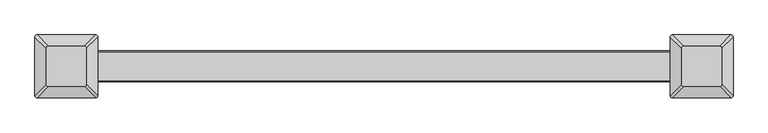
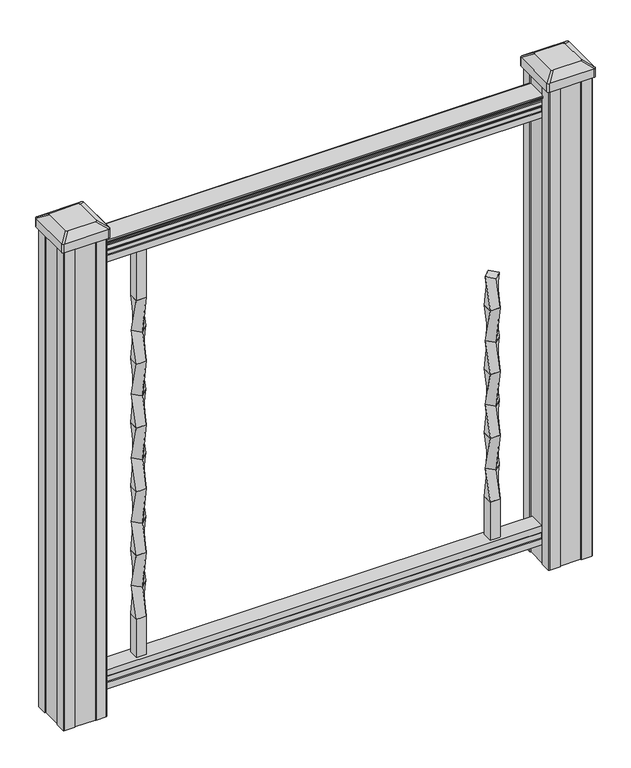
"""IFC4 building model written with IfcOpenShell, lengths in millimetres: proxy geometry."""

from ifc_helpers import new_model, si_unit, point, frame, frame_2d, origin, place, context, project, spatial, polyline, circle_curve, trimmed, segment, composite_curve, outline, extrude, source, transform, mapped, element, save
from ifc_brep_helpers import plane_surface, extruded_surface, spline_surface, advanced_brep


def specialty_equipment_4008e7eb(model_context):
    return source(origin(), model_context, "Body", "SolidModel", [
        advanced_brep(
        [(333.375, 13.4703842, 622.3), (319.9046158, 0.0, 622.3), (333.375, -13.4703842, 622.3), (346.8453842, 0.0, 622.3), (323.85, 9.525, 558.8), (342.9, 9.525, 558.8), (342.9, -9.525, 558.8), (323.85, -9.525, 558.8)],
        [
            (0, 1),
            (1, 2),
            (2, 3),
            (3, 0),
            (4, 5),
            (5, 6),
            (6, 7),
            (7, 4),
            (4, 0),
            (3, 5),
            (2, 6),
            (1, 7),
        ],
        [
            plane_surface(frame((333.375, 0.0, 622.3), z_axis=(0.0, 0.0, 1.0000000000000002), x_axis=(0.7071067811865481, -0.707106781186547, 0.0))),
            plane_surface(frame((333.375, 0.0, 558.8), z_axis=(0.0, 0.0, -1.0000000000000002), x_axis=(0.7071067811865481, -0.707106781186547, 0.0))),
            spline_surface(1, 1, [[(342.9, 9.525, 558.8), (346.8453842, 0.0, 622.3)], [(323.85, 9.525, 558.8), (333.375, 13.4703842, 622.3)]], [2, 2], [2, 2], [0.0, 1.0], [0.0, 1.0]),
            spline_surface(1, 1, [[(342.9, -9.525, 558.8), (333.375, -13.4703842, 622.3)], [(342.9, 9.525, 558.8), (346.8453842, 0.0, 622.3)]], [2, 2], [2, 2], [0.0, 1.0], [0.0, 1.0]),
            spline_surface(1, 1, [[(323.85, -9.525, 558.8), (319.9046158, 0.0, 622.3)], [(342.9, -9.525, 558.8), (333.375, -13.4703842, 622.3)]], [2, 2], [2, 2], [0.0, 1.0], [0.0, 1.0]),
            spline_surface(1, 1, [[(323.85, 9.525, 558.8), (333.375, 13.4703842, 622.3)], [(323.85, -9.525, 558.8), (319.9046158, 0.0, 622.3)]], [2, 2], [2, 2], [0.0, 1.0], [0.0, 1.0]),
        ],
        [
            (0, [[1, 2, 3, 4]]),
            (1, [[5, 6, 7, 8]]),
            (2, [[-5, 9, -4, 10]]),
            (3, [[-6, -10, -3, 11]]),
            (4, [[-7, -11, -2, 12]]),
            (5, [[-8, -12, -1, -9]]),
        ],
    ),
        advanced_brep(
        [(323.85, 9.525, 558.8), (323.85, -9.525, 558.8), (342.9, -9.525, 558.8), (342.9, 9.525, 558.8), (333.375, 13.4703842, 495.3), (346.8453842, 0.0, 495.3), (333.375, -13.4703842, 495.3), (319.9046158, 0.0, 495.3)],
        [
            (0, 1),
            (1, 2),
            (2, 3),
            (3, 0),
            (4, 5),
            (5, 6),
            (6, 7),
            (7, 4),
            (4, 0),
            (3, 5),
            (2, 6),
            (1, 7),
        ],
        [
            plane_surface(frame((333.375, 0.0, 558.8), z_axis=(0.0, 0.0, 1.0), x_axis=(0.0, -1.0, 0.0))),
            plane_surface(frame((333.375, 0.0, 495.3), z_axis=(0.0, 0.0, -1.0), x_axis=(0.0, -1.0, 0.0))),
            spline_surface(1, 1, [[(346.8453842, 0.0, 495.3), (342.9, 9.525, 558.8)], [(333.375, 13.4703842, 495.3), (323.85, 9.525, 558.8)]], [2, 2], [2, 2], [0.0, 1.0], [0.0, 1.0]),
            spline_surface(1, 1, [[(333.375, -13.4703842, 495.3), (342.9, -9.525, 558.8)], [(346.8453842, 0.0, 495.3), (342.9, 9.525, 558.8)]], [2, 2], [2, 2], [0.0, 1.0], [0.0, 1.0]),
            spline_surface(1, 1, [[(319.9046158, 0.0, 495.3), (323.85, -9.525, 558.8)], [(333.375, -13.4703842, 495.3), (342.9, -9.525, 558.8)]], [2, 2], [2, 2], [0.0, 1.0], [0.0, 1.0]),
            spline_surface(1, 1, [[(333.375, 13.4703842, 495.3), (323.85, 9.525, 558.8)], [(319.9046158, 0.0, 495.3), (323.85, -9.525, 558.8)]], [2, 2], [2, 2], [0.0, 1.0], [0.0, 1.0]),
        ],
        [
            (0, [[1, 2, 3, 4]]),
            (1, [[5, 6, 7, 8]]),
            (2, [[-5, 9, -4, 10]]),
            (3, [[-6, -10, -3, 11]]),
            (4, [[-7, -11, -2, 12]]),
            (5, [[-8, -12, -1, -9]]),
        ],
    ),
        advanced_brep(
        [(333.375, 13.4703842, 495.3), (319.9046158, 0.0, 495.3), (333.375, -13.4703842, 495.3), (346.8453842, 0.0, 495.3), (323.85, 9.525, 431.8), (342.9, 9.525, 431.8), (342.9, -9.525, 431.8), (323.85, -9.525, 431.8)],
        [
            (0, 1),
            (1, 2),
            (2, 3),
            (3, 0),
            (4, 5),
            (5, 6),
            (6, 7),
            (7, 4),
            (4, 0),
            (3, 5),
            (2, 6),
            (1, 7),
        ],
        [
            plane_surface(frame((333.375, 0.0, 495.3), z_axis=(0.0, 0.0, 1.0000000000000002), x_axis=(0.7071067811865481, -0.707106781186547, 0.0))),
            plane_surface(frame((333.375, 0.0, 431.8), z_axis=(0.0, 0.0, -1.0000000000000002), x_axis=(0.7071067811865481, -0.707106781186547, 0.0))),
            spline_surface(1, 1, [[(342.9, 9.525, 431.8), (346.8453842, 0.0, 495.3)], [(323.85, 9.525, 431.8), (333.375, 13.4703842, 495.3)]], [2, 2], [2, 2], [0.0, 1.0], [0.0, 1.0]),
            spline_surface(1, 1, [[(342.9, -9.525, 431.8), (333.375, -13.4703842, 495.3)], [(342.9, 9.525, 431.8), (346.8453842, 0.0, 495.3)]], [2, 2], [2, 2], [0.0, 1.0], [0.0, 1.0]),
            spline_surface(1, 1, [[(323.85, -9.525, 431.8), (319.9046158, 0.0, 495.3)], [(342.9, -9.525, 431.8), (333.375, -13.4703842, 495.3)]], [2, 2], [2, 2], [0.0, 1.0], [0.0, 1.0]),
            spline_surface(1, 1, [[(323.85, 9.525, 431.8), (333.375, 13.4703842, 495.3)], [(323.85, -9.525, 431.8), (319.9046158, 0.0, 495.3)]], [2, 2], [2, 2], [0.0, 1.0], [0.0, 1.0]),
        ],
        [
            (0, [[1, 2, 3, 4]]),
            (1, [[5, 6, 7, 8]]),
            (2, [[-5, 9, -4, 10]]),
            (3, [[-6, -10, -3, 11]]),
            (4, [[-7, -11, -2, 12]]),
            (5, [[-8, -12, -1, -9]]),
        ],
    ),
        advanced_brep(
        [(323.85, 9.525, 431.8), (323.85, -9.525, 431.8), (342.9, -9.525, 431.8), (342.9, 9.525, 431.8), (333.375, 13.4703842, 368.3), (346.8453842, 0.0, 368.3), (333.375, -13.4703842, 368.3), (319.9046158, 0.0, 368.3)],
        [
            (0, 1),
            (1, 2),
            (2, 3),
            (3, 0),
            (4, 5),
            (5, 6),
            (6, 7),
            (7, 4),
            (4, 0),
            (3, 5),
            (2, 6),
            (1, 7),
        ],
        [
            plane_surface(frame((333.375, 0.0, 431.8), z_axis=(0.0, 0.0, 1.0), x_axis=(0.0, -1.0, 0.0))),
            plane_surface(frame((333.375, 0.0, 368.3), z_axis=(0.0, 0.0, -1.0), x_axis=(0.0, -1.0, 0.0))),
            spline_surface(1, 1, [[(346.8453842, 0.0, 368.3), (342.9, 9.525, 431.8)], [(333.375, 13.4703842, 368.3), (323.85, 9.525, 431.8)]], [2, 2], [2, 2], [0.0, 1.0], [0.0, 1.0]),
            spline_surface(1, 1, [[(333.375, -13.4703842, 368.3), (342.9, -9.525, 431.8)], [(346.8453842, 0.0, 368.3), (342.9, 9.525, 431.8)]], [2, 2], [2, 2], [0.0, 1.0], [0.0, 1.0]),
            spline_surface(1, 1, [[(319.9046158, 0.0, 368.3), (323.85, -9.525, 431.8)], [(333.375, -13.4703842, 368.3), (342.9, -9.525, 431.8)]], [2, 2], [2, 2], [0.0, 1.0], [0.0, 1.0]),
            spline_surface(1, 1, [[(333.375, 13.4703842, 368.3), (323.85, 9.525, 431.8)], [(319.9046158, 0.0, 368.3), (323.85, -9.525, 431.8)]], [2, 2], [2, 2], [0.0, 1.0], [0.0, 1.0]),
        ],
        [
            (0, [[1, 2, 3, 4]]),
            (1, [[5, 6, 7, 8]]),
            (2, [[-5, 9, -4, 10]]),
            (3, [[-6, -10, -3, 11]]),
            (4, [[-7, -11, -2, 12]]),
            (5, [[-8, -12, -1, -9]]),
        ],
    ),
        advanced_brep(
        [(333.375, 13.4703842, 368.3), (319.9046158, 0.0, 368.3), (333.375, -13.4703842, 368.3), (346.8453842, 0.0, 368.3), (323.85, 9.525, 304.8), (342.9, 9.525, 304.8), (342.9, -9.525, 304.8), (323.85, -9.525, 304.8)],
        [
            (0, 1),
            (1, 2),
            (2, 3),
            (3, 0),
            (4, 5),
            (5, 6),
            (6, 7),
            (7, 4),
            (4, 0),
            (3, 5),
            (2, 6),
            (1, 7),
        ],
        [
            plane_surface(frame((333.375, 0.0, 368.3), z_axis=(0.0, 0.0, 1.0000000000000002), x_axis=(0.7071067811865481, -0.707106781186547, 0.0))),
            plane_surface(frame((333.375, 0.0, 304.8), z_axis=(0.0, 0.0, -1.0000000000000002), x_axis=(0.7071067811865481, -0.707106781186547, 0.0))),
            spline_surface(1, 1, [[(342.9, 9.525, 304.8), (346.8453842, 0.0, 368.3)], [(323.85, 9.525, 304.8), (333.375, 13.4703842, 368.3)]], [2, 2], [2, 2], [0.0, 1.0], [0.0, 1.0]),
            spline_surface(1, 1, [[(342.9, -9.525, 304.8), (333.375, -13.4703842, 368.3)], [(342.9, 9.525, 304.8), (346.8453842, 0.0, 368.3)]], [2, 2], [2, 2], [0.0, 1.0], [0.0, 1.0]),
            spline_surface(1, 1, [[(323.85, -9.525, 304.8), (319.9046158, 0.0, 368.3)], [(342.9, -9.525, 304.8), (333.375, -13.4703842, 368.3)]], [2, 2], [2, 2], [0.0, 1.0], [0.0, 1.0]),
            spline_surface(1, 1, [[(323.85, 9.525, 304.8), (333.375, 13.4703842, 368.3)], [(323.85, -9.525, 304.8), (319.9046158, 0.0, 368.3)]], [2, 2], [2, 2], [0.0, 1.0], [0.0, 1.0]),
        ],
        [
            (0, [[1, 2, 3, 4]]),
            (1, [[5, 6, 7, 8]]),
            (2, [[-5, 9, -4, 10]]),
            (3, [[-6, -10, -3, 11]]),
            (4, [[-7, -11, -2, 12]]),
            (5, [[-8, -12, -1, -9]]),
        ],
    ),
        advanced_brep(
        [(323.85, 9.525, 304.8), (323.85, -9.525, 304.8), (342.9, -9.525, 304.8), (342.9, 9.525, 304.8), (333.375, 13.4703842, 241.3), (346.8453842, 0.0, 241.3), (333.375, -13.4703842, 241.3), (319.9046158, 0.0, 241.3)],
        [
            (0, 1),
            (1, 2),
            (2, 3),
            (3, 0),
            (4, 5),
            (5, 6),
            (6, 7),
            (7, 4),
            (4, 0),
            (3, 5),
            (2, 6),
            (1, 7),
        ],
        [
            plane_surface(frame((333.375, 0.0, 304.8), z_axis=(0.0, 0.0, 1.0), x_axis=(0.0, -1.0, 0.0))),
            plane_surface(frame((333.375, 0.0, 241.3), z_axis=(0.0, 0.0, -1.0), x_axis=(0.0, -1.0, 0.0))),
            spline_surface(1, 1, [[(346.8453842, 0.0, 241.3), (342.9, 9.525, 304.8)], [(333.375, 13.4703842, 241.3), (323.85, 9.525, 304.8)]], [2, 2], [2, 2], [0.0, 1.0], [0.0, 1.0]),
            spline_surface(1, 1, [[(333.375, -13.4703842, 241.3), (342.9, -9.525, 304.8)], [(346.8453842, 0.0, 241.3), (342.9, 9.525, 304.8)]], [2, 2], [2, 2], [0.0, 1.0], [0.0, 1.0]),
            spline_surface(1, 1, [[(319.9046158, 0.0, 241.3), (323.85, -9.525, 304.8)], [(333.375, -13.4703842, 241.3), (342.9, -9.525, 304.8)]], [2, 2], [2, 2], [0.0, 1.0], [0.0, 1.0]),
            spline_surface(1, 1, [[(333.375, 13.4703842, 241.3), (323.85, 9.525, 304.8)], [(319.9046158, 0.0, 241.3), (323.85, -9.525, 304.8)]], [2, 2], [2, 2], [0.0, 1.0], [0.0, 1.0]),
        ],
        [
            (0, [[1, 2, 3, 4]]),
            (1, [[5, 6, 7, 8]]),
            (2, [[-5, 9, -4, 10]]),
            (3, [[-6, -10, -3, 11]]),
            (4, [[-7, -11, -2, 12]]),
            (5, [[-8, -12, -1, -9]]),
        ],
    ),
        advanced_brep(
        [(333.375, 13.4703842, 241.3), (319.9046158, 0.0, 241.3), (333.375, -13.4703842, 241.3), (346.8453842, 0.0, 241.3), (323.85, 9.525, 177.8), (342.9, 9.525, 177.8), (342.9, -9.525, 177.8), (323.85, -9.525, 177.8)],
        [
            (0, 1),
            (1, 2),
            (2, 3),
            (3, 0),
            (4, 5),
            (5, 6),
            (6, 7),
            (7, 4),
            (4, 0),
            (3, 5),
            (2, 6),
            (1, 7),
        ],
        [
            plane_surface(frame((333.375, 0.0, 241.3), z_axis=(0.0, 0.0, 1.0000000000000002), x_axis=(0.7071067811865481, -0.707106781186547, 0.0))),
            plane_surface(frame((333.375, 0.0, 177.8), z_axis=(0.0, 0.0, -1.0000000000000002), x_axis=(0.7071067811865481, -0.707106781186547, 0.0))),
            spline_surface(1, 1, [[(342.9, 9.525, 177.8), (346.8453842, 0.0, 241.3)], [(323.85, 9.525, 177.8), (333.375, 13.4703842, 241.3)]], [2, 2], [2, 2], [0.0, 1.0], [0.0, 1.0]),
            spline_surface(1, 1, [[(342.9, -9.525, 177.8), (333.375, -13.4703842, 241.3)], [(342.9, 9.525, 177.8), (346.8453842, 0.0, 241.3)]], [2, 2], [2, 2], [0.0, 1.0], [0.0, 1.0]),
            spline_surface(1, 1, [[(323.85, -9.525, 177.8), (319.9046158, 0.0, 241.3)], [(342.9, -9.525, 177.8), (333.375, -13.4703842, 241.3)]], [2, 2], [2, 2], [0.0, 1.0], [0.0, 1.0]),
            spline_surface(1, 1, [[(323.85, 9.525, 177.8), (333.375, 13.4703842, 241.3)], [(323.85, -9.525, 177.8), (319.9046158, 0.0, 241.3)]], [2, 2], [2, 2], [0.0, 1.0], [0.0, 1.0]),
        ],
        [
            (0, [[1, 2, 3, 4]]),
            (1, [[5, 6, 7, 8]]),
            (2, [[-5, 9, -4, 10]]),
            (3, [[-6, -10, -3, 11]]),
            (4, [[-7, -11, -2, 12]]),
            (5, [[-8, -12, -1, -9]]),
        ],
    ),
        extrude(outline(polyline([(342.9, 9.525), (342.9, -9.525), (323.85, -9.525), (323.85, 9.525), (342.9, 9.525)])), frame((0.0, 0.0, 101.6), z_axis=(0.0, 0.0, 1.0), x_axis=(1.0, 0.0, 0.0)), (0.0, 0.0, 1.0), 76.2),
        extrude(outline(polyline([(-323.85, 9.525), (-323.85, -9.525), (-342.9, -9.525), (-342.9, 9.525), (-323.85, 9.525)])), frame((0.0, 0.0, 812.8), z_axis=(0.0, 0.0, 1.0), x_axis=(1.0, 0.0, 0.0)), (0.0, 0.0, 1.0), 101.6),
        advanced_brep(
        [(-342.9, 9.525, 812.8), (-342.9, -9.525, 812.8), (-323.85, -9.525, 812.8), (-323.85, 9.525, 812.8), (-333.375, 13.4703842, 749.3), (-319.9046158, 0.0, 749.3), (-333.375, -13.4703842, 749.3), (-346.8453842, 0.0, 749.3)],
        [
            (0, 1),
            (1, 2),
            (2, 3),
            (3, 0),
            (4, 5),
            (5, 6),
            (6, 7),
            (7, 4),
            (4, 0),
            (3, 5),
            (2, 6),
            (1, 7),
        ],
        [
            plane_surface(frame((-333.375, 0.0, 812.8), z_axis=(0.0, 0.0, 1.0), x_axis=(0.0, -1.0, 0.0))),
            plane_surface(frame((-333.375, 0.0, 749.3), z_axis=(0.0, 0.0, -1.0), x_axis=(0.0, -1.0, 0.0))),
            spline_surface(1, 1, [[(-319.9046158, 0.0, 749.3), (-323.85, 9.525, 812.8)], [(-333.375, 13.4703842, 749.3), (-342.9, 9.525, 812.8)]], [2, 2], [2, 2], [0.0, 1.0], [0.0, 1.0]),
            spline_surface(1, 1, [[(-333.375, -13.4703842, 749.3), (-323.85, -9.525, 812.8)], [(-319.9046158, 0.0, 749.3), (-323.85, 9.525, 812.8)]], [2, 2], [2, 2], [0.0, 1.0], [0.0, 1.0]),
            spline_surface(1, 1, [[(-346.8453842, 0.0, 749.3), (-342.9, -9.525, 812.8)], [(-333.375, -13.4703842, 749.3), (-323.85, -9.525, 812.8)]], [2, 2], [2, 2], [0.0, 1.0], [0.0, 1.0]),
            spline_surface(1, 1, [[(-333.375, 13.4703842, 749.3), (-342.9, 9.525, 812.8)], [(-346.8453842, 0.0, 749.3), (-342.9, -9.525, 812.8)]], [2, 2], [2, 2], [0.0, 1.0], [0.0, 1.0]),
        ],
        [
            (0, [[1, 2, 3, 4]]),
            (1, [[5, 6, 7, 8]]),
            (2, [[-5, 9, -4, 10]]),
            (3, [[-6, -10, -3, 11]]),
            (4, [[-7, -11, -2, 12]]),
            (5, [[-8, -12, -1, -9]]),
        ],
    ),
        advanced_brep(
        [(-333.375, 13.4703842, 749.3), (-346.8453842, 0.0, 749.3), (-333.375, -13.4703842, 749.3), (-319.9046158, 0.0, 749.3), (-342.9, 9.525, 685.8), (-323.85, 9.525, 685.8), (-323.85, -9.525, 685.8), (-342.9, -9.525, 685.8)],
        [
            (0, 1),
            (1, 2),
            (2, 3),
            (3, 0),
            (4, 5),
            (5, 6),
            (6, 7),
            (7, 4),
            (4, 0),
            (3, 5),
            (2, 6),
            (1, 7),
        ],
        [
            plane_surface(frame((-333.375, 0.0, 749.3), z_axis=(0.0, 0.0, 1.0000000000000002), x_axis=(0.7071067811865481, -0.707106781186547, 0.0))),
            plane_surface(frame((-333.375, 0.0, 685.8), z_axis=(0.0, 0.0, -1.0000000000000002), x_axis=(0.7071067811865481, -0.707106781186547, 0.0))),
            spline_surface(1, 1, [[(-323.85, 9.525, 685.8), (-319.9046158, 0.0, 749.3)], [(-342.9, 9.525, 685.8), (-333.375, 13.4703842, 749.3)]], [2, 2], [2, 2], [0.0, 1.0], [0.0, 1.0]),
            spline_surface(1, 1, [[(-323.85, -9.525, 685.8), (-333.375, -13.4703842, 749.3)], [(-323.85, 9.525, 685.8), (-319.9046158, 0.0, 749.3)]], [2, 2], [2, 2], [0.0, 1.0], [0.0, 1.0]),
            spline_surface(1, 1, [[(-342.9, -9.525, 685.8), (-346.8453842, 0.0, 749.3)], [(-323.85, -9.525, 685.8), (-333.375, -13.4703842, 749.3)]], [2, 2], [2, 2], [0.0, 1.0], [0.0, 1.0]),
            spline_surface(1, 1, [[(-342.9, 9.525, 685.8), (-333.375, 13.4703842, 749.3)], [(-342.9, -9.525, 685.8), (-346.8453842, 0.0, 749.3)]], [2, 2], [2, 2], [0.0, 1.0], [0.0, 1.0]),
        ],
        [
            (0, [[1, 2, 3, 4]]),
            (1, [[5, 6, 7, 8]]),
            (2, [[-5, 9, -4, 10]]),
            (3, [[-6, -10, -3, 11]]),
            (4, [[-7, -11, -2, 12]]),
            (5, [[-8, -12, -1, -9]]),
        ],
    ),
        advanced_brep(
        [(-342.9, 9.525, 685.8), (-342.9, -9.525, 685.8), (-323.85, -9.525, 685.8), (-323.85, 9.525, 685.8), (-333.375, 13.4703842, 622.3), (-319.9046158, 0.0, 622.3), (-333.375, -13.4703842, 622.3), (-346.8453842, 0.0, 622.3)],
        [
            (0, 1),
            (1, 2),
            (2, 3),
            (3, 0),
            (4, 5),
            (5, 6),
            (6, 7),
            (7, 4),
            (4, 0),
            (3, 5),
            (2, 6),
            (1, 7),
        ],
        [
            plane_surface(frame((-333.375, 0.0, 685.8), z_axis=(0.0, 0.0, 1.0), x_axis=(0.0, -1.0, 0.0))),
            plane_surface(frame((-333.375, 0.0, 622.3), z_axis=(0.0, 0.0, -1.0), x_axis=(0.0, -1.0, 0.0))),
            spline_surface(1, 1, [[(-319.9046158, 0.0, 622.3), (-323.85, 9.525, 685.8)], [(-333.375, 13.4703842, 622.3), (-342.9, 9.525, 685.8)]], [2, 2], [2, 2], [0.0, 1.0], [0.0, 1.0]),
            spline_surface(1, 1, [[(-333.375, -13.4703842, 622.3), (-323.85, -9.525, 685.8)], [(-319.9046158, 0.0, 622.3), (-323.85, 9.525, 685.8)]], [2, 2], [2, 2], [0.0, 1.0], [0.0, 1.0]),
            spline_surface(1, 1, [[(-346.8453842, 0.0, 622.3), (-342.9, -9.525, 685.8)], [(-333.375, -13.4703842, 622.3), (-323.85, -9.525, 685.8)]], [2, 2], [2, 2], [0.0, 1.0], [0.0, 1.0]),
            spline_surface(1, 1, [[(-333.375, 13.4703842, 622.3), (-342.9, 9.525, 685.8)], [(-346.8453842, 0.0, 622.3), (-342.9, -9.525, 685.8)]], [2, 2], [2, 2], [0.0, 1.0], [0.0, 1.0]),
        ],
        [
            (0, [[1, 2, 3, 4]]),
            (1, [[5, 6, 7, 8]]),
            (2, [[-5, 9, -4, 10]]),
            (3, [[-6, -10, -3, 11]]),
            (4, [[-7, -11, -2, 12]]),
            (5, [[-8, -12, -1, -9]]),
        ],
    ),
        advanced_brep(
        [(-333.375, 13.4703842, 622.3), (-346.8453842, 0.0, 622.3), (-333.375, -13.4703842, 622.3), (-319.9046158, 0.0, 622.3), (-342.9, 9.525, 558.8), (-323.85, 9.525, 558.8), (-323.85, -9.525, 558.8), (-342.9, -9.525, 558.8)],
        [
            (0, 1),
            (1, 2),
            (2, 3),
            (3, 0),
            (4, 5),
            (5, 6),
            (6, 7),
            (7, 4),
            (4, 0),
            (3, 5),
            (2, 6),
            (1, 7),
        ],
        [
            plane_surface(frame((-333.375, 0.0, 622.3), z_axis=(0.0, 0.0, 1.0000000000000002), x_axis=(0.7071067811865481, -0.707106781186547, 0.0))),
            plane_surface(frame((-333.375, 0.0, 558.8), z_axis=(0.0, 0.0, -1.0000000000000002), x_axis=(0.7071067811865481, -0.707106781186547, 0.0))),
            spline_surface(1, 1, [[(-323.85, 9.525, 558.8), (-319.9046158, 0.0, 622.3)], [(-342.9, 9.525, 558.8), (-333.375, 13.4703842, 622.3)]], [2, 2], [2, 2], [0.0, 1.0], [0.0, 1.0]),
            spline_surface(1, 1, [[(-323.85, -9.525, 558.8), (-333.375, -13.4703842, 622.3)], [(-323.85, 9.525, 558.8), (-319.9046158, 0.0, 622.3)]], [2, 2], [2, 2], [0.0, 1.0], [0.0, 1.0]),
            spline_surface(1, 1, [[(-342.9, -9.525, 558.8), (-346.8453842, 0.0, 622.3)], [(-323.85, -9.525, 558.8), (-333.375, -13.4703842, 622.3)]], [2, 2], [2, 2], [0.0, 1.0], [0.0, 1.0]),
            spline_surface(1, 1, [[(-342.9, 9.525, 558.8), (-333.375, 13.4703842, 622.3)], [(-342.9, -9.525, 558.8), (-346.8453842, 0.0, 622.3)]], [2, 2], [2, 2], [0.0, 1.0], [0.0, 1.0]),
        ],
        [
            (0, [[1, 2, 3, 4]]),
            (1, [[5, 6, 7, 8]]),
            (2, [[-5, 9, -4, 10]]),
            (3, [[-6, -10, -3, 11]]),
            (4, [[-7, -11, -2, 12]]),
            (5, [[-8, -12, -1, -9]]),
        ],
    ),
        advanced_brep(
        [(-342.9, 9.525, 558.8), (-342.9, -9.525, 558.8), (-323.85, -9.525, 558.8), (-323.85, 9.525, 558.8), (-333.375, 13.4703842, 495.3), (-319.9046158, 0.0, 495.3), (-333.375, -13.4703842, 495.3), (-346.8453842, 0.0, 495.3)],
        [
            (0, 1),
            (1, 2),
            (2, 3),
            (3, 0),
            (4, 5),
            (5, 6),
            (6, 7),
            (7, 4),
            (4, 0),
            (3, 5),
            (2, 6),
            (1, 7),
        ],
        [
            plane_surface(frame((-333.375, 0.0, 558.8), z_axis=(0.0, 0.0, 1.0), x_axis=(0.0, -1.0, 0.0))),
            plane_surface(frame((-333.375, 0.0, 495.3), z_axis=(0.0, 0.0, -1.0), x_axis=(0.0, -1.0, 0.0))),
            spline_surface(1, 1, [[(-319.9046158, 0.0, 495.3), (-323.85, 9.525, 558.8)], [(-333.375, 13.4703842, 495.3), (-342.9, 9.525, 558.8)]], [2, 2], [2, 2], [0.0, 1.0], [0.0, 1.0]),
            spline_surface(1, 1, [[(-333.375, -13.4703842, 495.3), (-323.85, -9.525, 558.8)], [(-319.9046158, 0.0, 495.3), (-323.85, 9.525, 558.8)]], [2, 2], [2, 2], [0.0, 1.0], [0.0, 1.0]),
            spline_surface(1, 1, [[(-346.8453842, 0.0, 495.3), (-342.9, -9.525, 558.8)], [(-333.375, -13.4703842, 495.3), (-323.85, -9.525, 558.8)]], [2, 2], [2, 2], [0.0, 1.0], [0.0, 1.0]),
            spline_surface(1, 1, [[(-333.375, 13.4703842, 495.3), (-342.9, 9.525, 558.8)], [(-346.8453842, 0.0, 495.3), (-342.9, -9.525, 558.8)]], [2, 2], [2, 2], [0.0, 1.0], [0.0, 1.0]),
        ],
        [
            (0, [[1, 2, 3, 4]]),
            (1, [[5, 6, 7, 8]]),
            (2, [[-5, 9, -4, 10]]),
            (3, [[-6, -10, -3, 11]]),
            (4, [[-7, -11, -2, 12]]),
            (5, [[-8, -12, -1, -9]]),
        ],
    ),
        advanced_brep(
        [(-333.375, 13.4703842, 495.3), (-346.8453842, 0.0, 495.3), (-333.375, -13.4703842, 495.3), (-319.9046158, 0.0, 495.3), (-342.9, 9.525, 431.8), (-323.85, 9.525, 431.8), (-323.85, -9.525, 431.8), (-342.9, -9.525, 431.8)],
        [
            (0, 1),
            (1, 2),
            (2, 3),
            (3, 0),
            (4, 5),
            (5, 6),
            (6, 7),
            (7, 4),
            (4, 0),
            (3, 5),
            (2, 6),
            (1, 7),
        ],
        [
            plane_surface(frame((-333.375, 0.0, 495.3), z_axis=(0.0, 0.0, 1.0000000000000002), x_axis=(0.7071067811865481, -0.707106781186547, 0.0))),
            plane_surface(frame((-333.375, 0.0, 431.8), z_axis=(0.0, 0.0, -1.0000000000000002), x_axis=(0.7071067811865481, -0.707106781186547, 0.0))),
            spline_surface(1, 1, [[(-323.85, 9.525, 431.8), (-319.9046158, 0.0, 495.3)], [(-342.9, 9.525, 431.8), (-333.375, 13.4703842, 495.3)]], [2, 2], [2, 2], [0.0, 1.0], [0.0, 1.0]),
            spline_surface(1, 1, [[(-323.85, -9.525, 431.8), (-333.375, -13.4703842, 495.3)], [(-323.85, 9.525, 431.8), (-319.9046158, 0.0, 495.3)]], [2, 2], [2, 2], [0.0, 1.0], [0.0, 1.0]),
            spline_surface(1, 1, [[(-342.9, -9.525, 431.8), (-346.8453842, 0.0, 495.3)], [(-323.85, -9.525, 431.8), (-333.375, -13.4703842, 495.3)]], [2, 2], [2, 2], [0.0, 1.0], [0.0, 1.0]),
            spline_surface(1, 1, [[(-342.9, 9.525, 431.8), (-333.375, 13.4703842, 495.3)], [(-342.9, -9.525, 431.8), (-346.8453842, 0.0, 495.3)]], [2, 2], [2, 2], [0.0, 1.0], [0.0, 1.0]),
        ],
        [
            (0, [[1, 2, 3, 4]]),
            (1, [[5, 6, 7, 8]]),
            (2, [[-5, 9, -4, 10]]),
            (3, [[-6, -10, -3, 11]]),
            (4, [[-7, -11, -2, 12]]),
            (5, [[-8, -12, -1, -9]]),
        ],
    ),
        advanced_brep(
        [(-342.9, 9.525, 431.8), (-342.9, -9.525, 431.8), (-323.85, -9.525, 431.8), (-323.85, 9.525, 431.8), (-333.375, 13.4703842, 368.3), (-319.9046158, 0.0, 368.3), (-333.375, -13.4703842, 368.3), (-346.8453842, 0.0, 368.3)],
        [
            (0, 1),
            (1, 2),
            (2, 3),
            (3, 0),
            (4, 5),
            (5, 6),
            (6, 7),
            (7, 4),
            (4, 0),
            (3, 5),
            (2, 6),
            (1, 7),
        ],
        [
            plane_surface(frame((-333.375, 0.0, 431.8), z_axis=(0.0, 0.0, 1.0), x_axis=(0.0, -1.0, 0.0))),
            plane_surface(frame((-333.375, 0.0, 368.3), z_axis=(0.0, 0.0, -1.0), x_axis=(0.0, -1.0, 0.0))),
            spline_surface(1, 1, [[(-319.9046158, 0.0, 368.3), (-323.85, 9.525, 431.8)], [(-333.375, 13.4703842, 368.3), (-342.9, 9.525, 431.8)]], [2, 2], [2, 2], [0.0, 1.0], [0.0, 1.0]),
            spline_surface(1, 1, [[(-333.375, -13.4703842, 368.3), (-323.85, -9.525, 431.8)], [(-319.9046158, 0.0, 368.3), (-323.85, 9.525, 431.8)]], [2, 2], [2, 2], [0.0, 1.0], [0.0, 1.0]),
            spline_surface(1, 1, [[(-346.8453842, 0.0, 368.3), (-342.9, -9.525, 431.8)], [(-333.375, -13.4703842, 368.3), (-323.85, -9.525, 431.8)]], [2, 2], [2, 2], [0.0, 1.0], [0.0, 1.0]),
            spline_surface(1, 1, [[(-333.375, 13.4703842, 368.3), (-342.9, 9.525, 431.8)], [(-346.8453842, 0.0, 368.3), (-342.9, -9.525, 431.8)]], [2, 2], [2, 2], [0.0, 1.0], [0.0, 1.0]),
        ],
        [
            (0, [[1, 2, 3, 4]]),
            (1, [[5, 6, 7, 8]]),
            (2, [[-5, 9, -4, 10]]),
            (3, [[-6, -10, -3, 11]]),
            (4, [[-7, -11, -2, 12]]),
            (5, [[-8, -12, -1, -9]]),
        ],
    ),
        advanced_brep(
        [(-333.375, 13.4703842, 368.3), (-346.8453842, 0.0, 368.3), (-333.375, -13.4703842, 368.3), (-319.9046158, 0.0, 368.3), (-342.9, 9.525, 304.8), (-323.85, 9.525, 304.8), (-323.85, -9.525, 304.8), (-342.9, -9.525, 304.8)],
        [
            (0, 1),
            (1, 2),
            (2, 3),
            (3, 0),
            (4, 5),
            (5, 6),
            (6, 7),
            (7, 4),
            (4, 0),
            (3, 5),
            (2, 6),
            (1, 7),
        ],
        [
            plane_surface(frame((-333.375, 0.0, 368.3), z_axis=(0.0, 0.0, 1.0000000000000002), x_axis=(0.7071067811865481, -0.707106781186547, 0.0))),
            plane_surface(frame((-333.375, 0.0, 304.8), z_axis=(0.0, 0.0, -1.0000000000000002), x_axis=(0.7071067811865481, -0.707106781186547, 0.0))),
            spline_surface(1, 1, [[(-323.85, 9.525, 304.8), (-319.9046158, 0.0, 368.3)], [(-342.9, 9.525, 304.8), (-333.375, 13.4703842, 368.3)]], [2, 2], [2, 2], [0.0, 1.0], [0.0, 1.0]),
            spline_surface(1, 1, [[(-323.85, -9.525, 304.8), (-333.375, -13.4703842, 368.3)], [(-323.85, 9.525, 304.8), (-319.9046158, 0.0, 368.3)]], [2, 2], [2, 2], [0.0, 1.0], [0.0, 1.0]),
            spline_surface(1, 1, [[(-342.9, -9.525, 304.8), (-346.8453842, 0.0, 368.3)], [(-323.85, -9.525, 304.8), (-333.375, -13.4703842, 368.3)]], [2, 2], [2, 2], [0.0, 1.0], [0.0, 1.0]),
            spline_surface(1, 1, [[(-342.9, 9.525, 304.8), (-333.375, 13.4703842, 368.3)], [(-342.9, -9.525, 304.8), (-346.8453842, 0.0, 368.3)]], [2, 2], [2, 2], [0.0, 1.0], [0.0, 1.0]),
        ],
        [
            (0, [[1, 2, 3, 4]]),
            (1, [[5, 6, 7, 8]]),
            (2, [[-5, 9, -4, 10]]),
            (3, [[-6, -10, -3, 11]]),
            (4, [[-7, -11, -2, 12]]),
            (5, [[-8, -12, -1, -9]]),
        ],
    ),
        advanced_brep(
        [(-342.9, 9.525, 304.8), (-342.9, -9.525, 304.8), (-323.85, -9.525, 304.8), (-323.85, 9.525, 304.8), (-333.375, 13.4703842, 241.3), (-319.9046158, 0.0, 241.3), (-333.375, -13.4703842, 241.3), (-346.8453842, 0.0, 241.3)],
        [
            (0, 1),
            (1, 2),
            (2, 3),
            (3, 0),
            (4, 5),
            (5, 6),
            (6, 7),
            (7, 4),
            (4, 0),
            (3, 5),
            (2, 6),
            (1, 7),
        ],
        [
            plane_surface(frame((-333.375, 0.0, 304.8), z_axis=(0.0, 0.0, 1.0), x_axis=(0.0, -1.0, 0.0))),
            plane_surface(frame((-333.375, 0.0, 241.3), z_axis=(0.0, 0.0, -1.0), x_axis=(0.0, -1.0, 0.0))),
            spline_surface(1, 1, [[(-319.9046158, 0.0, 241.3), (-323.85, 9.525, 304.8)], [(-333.375, 13.4703842, 241.3), (-342.9, 9.525, 304.8)]], [2, 2], [2, 2], [0.0, 1.0], [0.0, 1.0]),
            spline_surface(1, 1, [[(-333.375, -13.4703842, 241.3), (-323.85, -9.525, 304.8)], [(-319.9046158, 0.0, 241.3), (-323.85, 9.525, 304.8)]], [2, 2], [2, 2], [0.0, 1.0], [0.0, 1.0]),
            spline_surface(1, 1, [[(-346.8453842, 0.0, 241.3), (-342.9, -9.525, 304.8)], [(-333.375, -13.4703842, 241.3), (-323.85, -9.525, 304.8)]], [2, 2], [2, 2], [0.0, 1.0], [0.0, 1.0]),
            spline_surface(1, 1, [[(-333.375, 13.4703842, 241.3), (-342.9, 9.525, 304.8)], [(-346.8453842, 0.0, 241.3), (-342.9, -9.525, 304.8)]], [2, 2], [2, 2], [0.0, 1.0], [0.0, 1.0]),
        ],
        [
            (0, [[1, 2, 3, 4]]),
            (1, [[5, 6, 7, 8]]),
            (2, [[-5, 9, -4, 10]]),
            (3, [[-6, -10, -3, 11]]),
            (4, [[-7, -11, -2, 12]]),
            (5, [[-8, -12, -1, -9]]),
        ],
    ),
        advanced_brep(
        [(-333.375, 13.4703842, 241.3), (-346.8453842, 0.0, 241.3), (-333.375, -13.4703842, 241.3), (-319.9046158, 0.0, 241.3), (-342.9, 9.525, 177.8), (-323.85, 9.525, 177.8), (-323.85, -9.525, 177.8), (-342.9, -9.525, 177.8)],
        [
            (0, 1),
            (1, 2),
            (2, 3),
            (3, 0),
            (4, 5),
            (5, 6),
            (6, 7),
            (7, 4),
            (4, 0),
            (3, 5),
            (2, 6),
            (1, 7),
        ],
        [
            plane_surface(frame((-333.375, 0.0, 241.3), z_axis=(0.0, 0.0, 1.0000000000000002), x_axis=(0.7071067811865481, -0.707106781186547, 0.0))),
            plane_surface(frame((-333.375, 0.0, 177.8), z_axis=(0.0, 0.0, -1.0000000000000002), x_axis=(0.7071067811865481, -0.707106781186547, 0.0))),
            spline_surface(1, 1, [[(-323.85, 9.525, 177.8), (-319.9046158, 0.0, 241.3)], [(-342.9, 9.525, 177.8), (-333.375, 13.4703842, 241.3)]], [2, 2], [2, 2], [0.0, 1.0], [0.0, 1.0]),
            spline_surface(1, 1, [[(-323.85, -9.525, 177.8), (-333.375, -13.4703842, 241.3)], [(-323.85, 9.525, 177.8), (-319.9046158, 0.0, 241.3)]], [2, 2], [2, 2], [0.0, 1.0], [0.0, 1.0]),
            spline_surface(1, 1, [[(-342.9, -9.525, 177.8), (-346.8453842, 0.0, 241.3)], [(-323.85, -9.525, 177.8), (-333.375, -13.4703842, 241.3)]], [2, 2], [2, 2], [0.0, 1.0], [0.0, 1.0]),
            spline_surface(1, 1, [[(-342.9, 9.525, 177.8), (-333.375, 13.4703842, 241.3)], [(-342.9, -9.525, 177.8), (-346.8453842, 0.0, 241.3)]], [2, 2], [2, 2], [0.0, 1.0], [0.0, 1.0]),
        ],
        [
            (0, [[1, 2, 3, 4]]),
            (1, [[5, 6, 7, 8]]),
            (2, [[-5, 9, -4, 10]]),
            (3, [[-6, -10, -3, 11]]),
            (4, [[-7, -11, -2, 12]]),
            (5, [[-8, -12, -1, -9]]),
        ],
    ),
        extrude(outline(polyline([(-323.85, 9.525), (-323.85, -9.525), (-342.9, -9.525), (-342.9, 9.525), (-323.85, 9.525)])), frame((0.0, 0.0, 101.6), z_axis=(0.0, 0.0, 1.0), x_axis=(1.0, 0.0, 0.0)), (0.0, 0.0, 1.0), 76.2),
        extrude(outline(composite_curve([segment(polyline([(938.4043297, 17.4328287), (940.292412, 17.4328287)]), True, "CONTINUOUS"), segment(trimmed(circle_curve(frame_2d((946.0506383, 11.1180755)), 8.545951), [point((940.292412, 17.4328287))], [point((941.8546695, 18.563015))], False, "CARTESIAN"), True, "CONTINUOUS"), segment(trimmed(circle_curve(frame_2d((945.4636577, 11.5551384)), 7.882584), [point((941.8546695, 18.563015))], [point((949.0726458, 18.563015))], False, "CARTESIAN"), True, "CONTINUOUS"), segment(trimmed(circle_curve(frame_2d((951.3112527, 22.0684625)), 4.1592695), [point((949.0726458, 18.563015))], [point((951.5060812, 17.9137586))], True, "CARTESIAN"), True, "CONTINUOUS"), segment(trimmed(circle_curve(frame_2d((951.2508864, 23.3557691)), 5.4479907), [point((951.5060812, 17.9137586))], [point((955.8362083, 20.4137586))], True, "CARTESIAN"), True, "CONTINUOUS"), segment(trimmed(circle_curve(frame_2d((955.833395, 22.1226107)), 1.7088543), [point((955.8362083, 20.4137586))], [point((957.5157972, 21.8231011))], True, "CARTESIAN"), True, "CONTINUOUS"), segment(trimmed(circle_curve(frame_2d((958.6205318, 20.5057106)), 1.7192895), [point((957.5157972, 21.8231011))], [point((958.6205318, 22.2250001))], False, "CARTESIAN"), True, "CONTINUOUS"), segment(polyline([(958.6205318, 22.2250001), (959.9608158, 22.225)]), True, "CONTINUOUS"), segment(trimmed(circle_curve(frame_2d((959.9608158, 20.6715528)), 1.5534472), [point((959.9608158, 22.225))], [point((961.514263, 20.6715528))], False, "CARTESIAN"), True, "CONTINUOUS"), segment(polyline([(961.514263, 20.6715528), (961.514263, -20.6715528)]), True, "CONTINUOUS"), segment(trimmed(circle_curve(frame_2d((959.9608158, -20.6715528)), 1.5534472), [point((961.514263, -20.6715528))], [point((959.9608158, -22.225))], False, "CARTESIAN"), True, "CONTINUOUS"), segment(polyline([(959.9608158, -22.225), (958.6205318, -22.225)]), True, "CONTINUOUS"), segment(trimmed(circle_curve(frame_2d((958.6205318, -20.5057106)), 1.7192895), [point((958.6205318, -22.225))], [point((957.5157972, -21.8231011))], False, "CARTESIAN"), True, "CONTINUOUS"), segment(trimmed(circle_curve(frame_2d((955.833395, -22.1226107)), 1.7088543), [point((957.5157972, -21.8231011))], [point((955.8362083, -20.4137586))], True, "CARTESIAN"), True, "CONTINUOUS"), segment(trimmed(circle_curve(frame_2d((951.2508864, -23.3557691)), 5.4479907), [point((955.8362083, -20.4137586))], [point((951.5060812, -17.9137586))], True, "CARTESIAN"), True, "CONTINUOUS"), segment(trimmed(circle_curve(frame_2d((951.3112527, -22.0684625)), 4.1592695), [point((951.5060812, -17.9137586))], [point((949.0726458, -18.563015))], True, "CARTESIAN"), True, "CONTINUOUS"), segment(trimmed(circle_curve(frame_2d((945.4636577, -11.5551384)), 7.882584), [point((949.0726458, -18.563015))], [point((941.8546695, -18.563015))], False, "CARTESIAN"), True, "CONTINUOUS"), segment(trimmed(circle_curve(frame_2d((946.0506383, -11.1180755)), 8.545951), [point((941.8546695, -18.563015))], [point((940.292412, -17.4328287))], False, "CARTESIAN"), True, "CONTINUOUS"), segment(polyline([(940.292412, -17.4328287), (938.4043297, -17.4328287)]), True, "CONTINUOUS"), segment(trimmed(circle_curve(frame_2d((938.4043297, -16.1459144)), 1.2869144), [point((938.4043297, -17.4328287))], [point((938.4043297, -14.859))], False, "CARTESIAN"), True, "CONTINUOUS"), segment(polyline([(938.4043297, -14.859), (927.9048283, -14.859), (926.8888283, -15.875), (914.4, -15.875), (914.4, 15.875), (926.731013, 15.875), (927.747013, 14.859), (938.4043297, 14.859)]), True, "CONTINUOUS"), segment(trimmed(circle_curve(frame_2d((938.4043297, 16.1459144)), 1.2869144), [point((938.4043297, 14.859))], [point((938.4043297, 17.4328287))], False, "CARTESIAN"), True, "CONTINUOUS")], self_intersect=False)), frame((457.2, 0.0, 0.0), z_axis=(-1.0, 0.0, 0.0), x_axis=(0.0, 0.0, 1.0)), (0.0, 0.0, 1.0), 914.4),
        extrude(outline(polyline([(-15.9124869, 76.0541976), (-14.8964869, 77.3546183), (-14.8964869, 87.7141717), (-15.9124869, 89.0624492), (-15.9124869, 101.5958781), (15.8375131, 101.5958781), (15.8375131, 89.0458024), (14.8215131, 87.6975248), (14.8215131, 77.3858283), (15.8375131, 76.0375508), (15.8375131, 63.5), (-15.9124869, 63.5), (-15.9124869, 76.0541976)])), frame((-457.2, 0.0, 0.0), z_axis=(1.0, 0.0, 0.0), x_axis=(0.0, 1.0, 0.0)), (0.0, 0.0, 1.0), 914.4),
        advanced_brep(
        [(431.403125, 28.971875, 1012.825), (428.228125, 25.796875, 1012.825), (428.228125, -25.796875, 1012.825), (431.403125, -28.971875, 1012.825), (482.996875, -28.971875, 1012.825), (486.171875, -25.796875, 1012.825), (486.171875, 25.796875, 1012.825), (482.996875, 28.971875, 1012.825), (415.13125, 45.24375, 1001.522), (499.26875, 45.24375, 1001.522), (502.44375, 42.06875, 1001.522), (502.44375, -42.06875, 1001.522), (499.26875, -45.24375, 1001.522), (415.13125, -45.24375, 1001.522), (411.95625, -42.06875, 1001.522), (411.95625, 42.06875, 1001.522)],
        [
            (0, 1, circle_curve(frame((431.403125, 25.796875, 1012.825), z_axis=(0.0, 0.0, 1.0), x_axis=(0.0, -1.0, 0.0)), 3.175)),
            (1, 2),
            (2, 3, circle_curve(frame((431.403125, -25.796875, 1012.825), z_axis=(0.0, 0.0, 1.0), x_axis=(0.0, -1.0, 0.0)), 3.175)),
            (3, 4),
            (4, 5, circle_curve(frame((482.996875, -25.796875, 1012.825), z_axis=(0.0, 0.0, 1.0), x_axis=(0.0, -1.0, 0.0)), 3.175)),
            (5, 6),
            (6, 7, circle_curve(frame((482.996875, 25.796875, 1012.825), z_axis=(0.0, 0.0, 1.0), x_axis=(0.0, -1.0, 0.0)), 3.175)),
            (7, 0),
            (8, 9),
            (9, 10, circle_curve(frame((499.26875, 42.06875, 1001.522), z_axis=(0.0, 0.0, -1.0), x_axis=(0.0, -1.0, 0.0)), 3.175)),
            (10, 11),
            (11, 12, circle_curve(frame((499.26875, -42.06875, 1001.522), z_axis=(0.0, 0.0, -1.0), x_axis=(0.0, -1.0, 0.0)), 3.175)),
            (12, 13),
            (13, 14, circle_curve(frame((415.13125, -42.06875, 1001.522), z_axis=(0.0, 0.0, -1.0), x_axis=(0.0, -1.0, 0.0)), 3.175)),
            (14, 15),
            (15, 8, circle_curve(frame((415.13125, 42.06875, 1001.522), z_axis=(0.0, 0.0, -1.0), x_axis=(0.0, -1.0, 0.0)), 3.175)),
            (15, 1),
            (0, 8),
            (14, 2),
            (13, 3),
            (12, 4),
            (11, 5),
            (10, 6),
            (9, 7),
        ],
        [
            plane_surface(frame((457.2, 0.0, 1012.825), z_axis=(0.0, 0.0, 1.0), x_axis=(-1.0, 0.0, 0.0))),
            plane_surface(frame((457.2, 0.0, 1001.522), z_axis=(0.0, 0.0, -1.0), x_axis=(-1.0, 0.0, 0.0))),
            extruded_surface(trimmed(circle_curve(frame((415.13125, 42.06875, 1001.522), z_axis=(0.0, 0.0, 1.0), x_axis=(0.0, -1.0, 0.0)), 3.175), [point((415.13125, 45.24375, 1001.522))], [point((411.95625, 42.06875, 1001.522))], True, "CARTESIAN"), (16.271874999999966, -16.271875, 11.302999999999997), 25.63797263886614),
            plane_surface(frame((411.95625, 0.0, 1001.522), z_axis=(-0.5705009161540779, 0.0, 0.8212969649690408), x_axis=(0.0, -1.0, 0.0))),
            extruded_surface(trimmed(circle_curve(frame((415.13125, -42.06875, 1001.522), z_axis=(0.0, 0.0, 1.0), x_axis=(0.0, -1.0, 0.0)), 3.175), [point((411.95625, -42.06875, 1001.522))], [point((415.13125, -45.24375, 1001.522))], True, "CARTESIAN"), (16.271874999999966, 16.271875, 11.302999999999997), 25.63797263886614),
            plane_surface(frame((457.2, -45.24375, 1001.522), z_axis=(0.0, -0.5705009161540291, 0.8212969649690747), x_axis=(1.0, 0.0, 0.0))),
            extruded_surface(trimmed(circle_curve(frame((499.26875, -42.06875, 1001.522), z_axis=(0.0, 0.0, 1.0), x_axis=(0.0, -1.0, 0.0)), 3.175), [point((499.26875, -45.24375, 1001.522))], [point((502.44375, -42.06875, 1001.522))], True, "CARTESIAN"), (-16.271875000000023, 16.271875, 11.302999999999997), 25.637972638866177),
            plane_surface(frame((502.44375, 0.0, 1001.522), z_axis=(0.5705009161540141, 0.0, 0.8212969649690851), x_axis=(0.0, 1.0, 0.0))),
            extruded_surface(trimmed(circle_curve(frame((499.26875, 42.06875, 1001.522), z_axis=(0.0, 0.0, 1.0), x_axis=(0.0, -1.0, 0.0)), 3.175), [point((502.44375, 42.06875, 1001.522))], [point((499.26875, 45.24375, 1001.522))], True, "CARTESIAN"), (-16.271875000000023, -16.271875, 11.302999999999997), 25.637972638866177),
            plane_surface(frame((457.2, 45.24375, 1001.522), z_axis=(0.0, 0.570500916154034, 0.8212969649690713), x_axis=(-1.0, 0.0, 0.0))),
        ],
        [
            (0, [[1, 2, 3, 4, 5, 6, 7, 8]]),
            (1, [[9, 10, 11, 12, 13, 14, 15, 16]]),
            (2, [[-16, 17, -1, 18]]),
            (3, [[-15, 19, -2, -17]]),
            (4, [[-14, 20, -3, -19]]),
            (5, [[-13, 21, -4, -20]]),
            (6, [[-12, 22, -5, -21]]),
            (7, [[-11, 23, -6, -22]]),
            (8, [[-10, 24, -7, -23]]),
            (9, [[-9, -18, -8, -24]]),
        ],
    ),
        extrude(outline(composite_curve([segment(polyline([(415.13125, 45.24375), (499.26875, 45.24375)]), True, "CONTINUOUS"), segment(trimmed(circle_curve(frame_2d((499.26875, 42.06875)), 3.175), [point((499.26875, 45.24375))], [point((502.44375, 42.06875))], False, "CARTESIAN"), True, "CONTINUOUS"), segment(polyline([(502.44375, 42.06875), (502.44375, -42.06875)]), True, "CONTINUOUS"), segment(trimmed(circle_curve(frame_2d((499.26875, -42.06875)), 3.175), [point((502.44375, -42.06875))], [point((499.26875, -45.24375))], False, "CARTESIAN"), True, "CONTINUOUS"), segment(polyline([(499.26875, -45.24375), (415.13125, -45.24375)]), True, "CONTINUOUS"), segment(trimmed(circle_curve(frame_2d((415.13125, -42.06875)), 3.175), [point((415.13125, -45.24375))], [point((411.95625, -42.06875))], False, "CARTESIAN"), True, "CONTINUOUS"), segment(polyline([(411.95625, -42.06875), (411.95625, 42.06875)]), True, "CONTINUOUS"), segment(trimmed(circle_curve(frame_2d((415.13125, 42.06875)), 3.175), [point((411.95625, 42.06875))], [point((415.13125, 45.24375))], False, "CARTESIAN"), True, "CONTINUOUS")], self_intersect=False)), frame((0.0, 0.0, 984.25), z_axis=(0.0, 0.0, 1.0), x_axis=(1.0, 0.0, 0.0)), (0.0, 0.0, 1.0), 17.272),
        extrude(outline(polyline([(417.5125, 41.275), (437.134, 41.275), (437.896, 39.6875), (476.504, 39.6875), (477.266, 41.275), (496.8875, 41.275), (498.475, 39.6875), (498.475, 20.066), (496.8875, 19.304), (496.8875, -19.304), (498.475, -20.066), (498.475, -39.6875), (496.8875, -41.275), (477.266, -41.275), (476.504, -39.6875), (437.896, -39.6875), (437.134, -41.275), (417.5125, -41.275), (415.925, -39.6875), (415.925, -20.066), (417.5125, -19.304), (417.5125, 19.304), (415.925, 20.066), (415.925, 39.6875), (417.5125, 41.275)])), frame((0.0, 0.0, 28.575), z_axis=(0.0, 0.0, 1.0), x_axis=(1.0, 0.0, 0.0)), (0.0, 0.0, 1.0), 955.675),
        advanced_brep(
        [(-482.996875, 28.971875, 1012.825), (-486.171875, 25.796875, 1012.825), (-486.171875, -25.796875, 1012.825), (-482.996875, -28.971875, 1012.825), (-431.403125, -28.971875, 1012.825), (-428.228125, -25.796875, 1012.825), (-428.228125, 25.796875, 1012.825), (-431.403125, 28.971875, 1012.825), (-499.26875, 45.24375, 1001.522), (-415.13125, 45.24375, 1001.522), (-411.95625, 42.06875, 1001.522), (-411.95625, -42.06875, 1001.522), (-415.13125, -45.24375, 1001.522), (-499.26875, -45.24375, 1001.522), (-502.44375, -42.06875, 1001.522), (-502.44375, 42.06875, 1001.522)],
        [
            (0, 1, circle_curve(frame((-482.996875, 25.796875, 1012.825), z_axis=(0.0, 0.0, 1.0), x_axis=(0.0, -1.0, 0.0)), 3.175)),
            (1, 2),
            (2, 3, circle_curve(frame((-482.996875, -25.796875, 1012.825), z_axis=(0.0, 0.0, 1.0), x_axis=(0.0, -1.0, 0.0)), 3.175)),
            (3, 4),
            (4, 5, circle_curve(frame((-431.403125, -25.796875, 1012.825), z_axis=(0.0, 0.0, 1.0), x_axis=(0.0, -1.0, 0.0)), 3.175)),
            (5, 6),
            (6, 7, circle_curve(frame((-431.403125, 25.796875, 1012.825), z_axis=(0.0, 0.0, 1.0), x_axis=(0.0, -1.0, 0.0)), 3.175)),
            (7, 0),
            (8, 9),
            (9, 10, circle_curve(frame((-415.13125, 42.06875, 1001.522), z_axis=(0.0, 0.0, -1.0), x_axis=(0.0, -1.0, 0.0)), 3.175)),
            (10, 11),
            (11, 12, circle_curve(frame((-415.13125, -42.06875, 1001.522), z_axis=(0.0, 0.0, -1.0), x_axis=(0.0, -1.0, 0.0)), 3.175)),
            (12, 13),
            (13, 14, circle_curve(frame((-499.26875, -42.06875, 1001.522), z_axis=(0.0, 0.0, -1.0), x_axis=(0.0, -1.0, 0.0)), 3.175)),
            (14, 15),
            (15, 8, circle_curve(frame((-499.26875, 42.06875, 1001.522), z_axis=(0.0, 0.0, -1.0), x_axis=(0.0, -1.0, 0.0)), 3.175)),
            (15, 1),
            (0, 8),
            (14, 2),
            (13, 3),
            (12, 4),
            (11, 5),
            (10, 6),
            (9, 7),
        ],
        [
            plane_surface(frame((-457.2, 0.0, 1012.825), z_axis=(0.0, 0.0, 1.0), x_axis=(-1.0, 0.0, 0.0))),
            plane_surface(frame((-457.2, 0.0, 1001.522), z_axis=(0.0, 0.0, -1.0), x_axis=(-1.0, 0.0, 0.0))),
            extruded_surface(trimmed(circle_curve(frame((-499.26875, 42.06875, 1001.522), z_axis=(0.0, 0.0, 1.0), x_axis=(0.0, -1.0, 0.0)), 3.175), [point((-499.26875, 45.24375, 1001.522))], [point((-502.44375, 42.06875, 1001.522))], True, "CARTESIAN"), (16.271875000000023, -16.271875, 11.302999999999997), 25.637972638866177),
            plane_surface(frame((-502.44375, 0.0, 1001.522), z_axis=(-0.5705009161540779, 0.0, 0.8212969649690408), x_axis=(0.0, -1.0, 0.0))),
            extruded_surface(trimmed(circle_curve(frame((-499.26875, -42.06875, 1001.522), z_axis=(0.0, 0.0, 1.0), x_axis=(0.0, -1.0, 0.0)), 3.175), [point((-502.44375, -42.06875, 1001.522))], [point((-499.26875, -45.24375, 1001.522))], True, "CARTESIAN"), (16.271875000000023, 16.271875, 11.302999999999997), 25.637972638866177),
            plane_surface(frame((-457.2, -45.24375, 1001.522), z_axis=(0.0, -0.5705009161540291, 0.8212969649690747), x_axis=(1.0, 0.0, 0.0))),
            extruded_surface(trimmed(circle_curve(frame((-415.13125, -42.06875, 1001.522), z_axis=(0.0, 0.0, 1.0), x_axis=(0.0, -1.0, 0.0)), 3.175), [point((-415.13125, -45.24375, 1001.522))], [point((-411.95625, -42.06875, 1001.522))], True, "CARTESIAN"), (-16.271874999999966, 16.271875, 11.302999999999997), 25.63797263886614),
            plane_surface(frame((-411.95625, 0.0, 1001.522), z_axis=(0.5705009161540141, 0.0, 0.8212969649690851), x_axis=(0.0, 1.0, 0.0))),
            extruded_surface(trimmed(circle_curve(frame((-415.13125, 42.06875, 1001.522), z_axis=(0.0, 0.0, 1.0), x_axis=(0.0, -1.0, 0.0)), 3.175), [point((-411.95625, 42.06875, 1001.522))], [point((-415.13125, 45.24375, 1001.522))], True, "CARTESIAN"), (-16.271874999999966, -16.271875, 11.302999999999997), 25.63797263886614),
            plane_surface(frame((-457.2, 45.24375, 1001.522), z_axis=(0.0, 0.570500916154034, 0.8212969649690713), x_axis=(-1.0, 0.0, 0.0))),
        ],
        [
            (0, [[1, 2, 3, 4, 5, 6, 7, 8]]),
            (1, [[9, 10, 11, 12, 13, 14, 15, 16]]),
            (2, [[-16, 17, -1, 18]]),
            (3, [[-15, 19, -2, -17]]),
            (4, [[-14, 20, -3, -19]]),
            (5, [[-13, 21, -4, -20]]),
            (6, [[-12, 22, -5, -21]]),
            (7, [[-11, 23, -6, -22]]),
            (8, [[-10, 24, -7, -23]]),
            (9, [[-9, -18, -8, -24]]),
        ],
    ),
        extrude(outline(composite_curve([segment(polyline([(-499.26875, 45.24375), (-415.13125, 45.24375)]), True, "CONTINUOUS"), segment(trimmed(circle_curve(frame_2d((-415.13125, 42.06875)), 3.175), [point((-415.13125, 45.24375))], [point((-411.95625, 42.06875))], False, "CARTESIAN"), True, "CONTINUOUS"), segment(polyline([(-411.95625, 42.06875), (-411.95625, -42.06875)]), True, "CONTINUOUS"), segment(trimmed(circle_curve(frame_2d((-415.13125, -42.06875)), 3.175), [point((-411.95625, -42.06875))], [point((-415.13125, -45.24375))], False, "CARTESIAN"), True, "CONTINUOUS"), segment(polyline([(-415.13125, -45.24375), (-499.26875, -45.24375)]), True, "CONTINUOUS"), segment(trimmed(circle_curve(frame_2d((-499.26875, -42.06875)), 3.175), [point((-499.26875, -45.24375))], [point((-502.44375, -42.06875))], False, "CARTESIAN"), True, "CONTINUOUS"), segment(polyline([(-502.44375, -42.06875), (-502.44375, 42.06875)]), True, "CONTINUOUS"), segment(trimmed(circle_curve(frame_2d((-499.26875, 42.06875)), 3.175), [point((-502.44375, 42.06875))], [point((-499.26875, 45.24375))], False, "CARTESIAN"), True, "CONTINUOUS")], self_intersect=False)), frame((0.0, 0.0, 984.25), z_axis=(0.0, 0.0, 1.0), x_axis=(1.0, 0.0, 0.0)), (0.0, 0.0, 1.0), 17.272),
        extrude(outline(polyline([(-496.8875, 41.275), (-477.266, 41.275), (-476.504, 39.6875), (-437.896, 39.6875), (-437.134, 41.275), (-417.5125, 41.275), (-415.925, 39.6875), (-415.925, 20.066), (-417.5125, 19.304), (-417.5125, -19.304), (-415.925, -20.066), (-415.925, -39.6875), (-417.5125, -41.275), (-437.134, -41.275), (-437.896, -39.6875), (-476.504, -39.6875), (-477.266, -41.275), (-496.8875, -41.275), (-498.475, -39.6875), (-498.475, -20.066), (-496.8875, -19.304), (-496.8875, 19.304), (-498.475, 20.066), (-498.475, 39.6875), (-496.8875, 41.275)])), frame((0.0, 0.0, 28.575), z_axis=(0.0, 0.0, 1.0), x_axis=(1.0, 0.0, 0.0)), (0.0, 0.0, 1.0), 955.675),
    ])


if __name__ == "__main__":
    model = new_model("IFC4")
    model_context = context("Model", 3, world=origin())
    ifc_project = project(units=[si_unit("LENGTHUNIT", "METRE", prefix="MILLI")], contexts=[model_context])
    site = spatial("IfcSite", under=ifc_project)
    building = spatial("IfcBuilding", under=site)
    placement = place(None, origin())
    specialty_equipment_shape = specialty_equipment_4008e7eb(model_context)
    element("IfcBuildingElementProxy", 1, Name="Specialty Equipment", at=placement, inside=building, context=model_context, shape_type="MappedRepresentation", body=[
        mapped(specialty_equipment_shape, transform((0.0, 0.0, 0.0), x_axis=(1.0, 0.0, 0.0), y_axis=(0.0, 1.0, 0.0), z_axis=(0.0, 0.0, 1.0))),
    ])
    save(model, "model.ifc")
